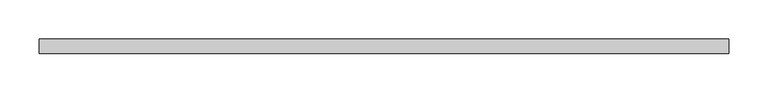
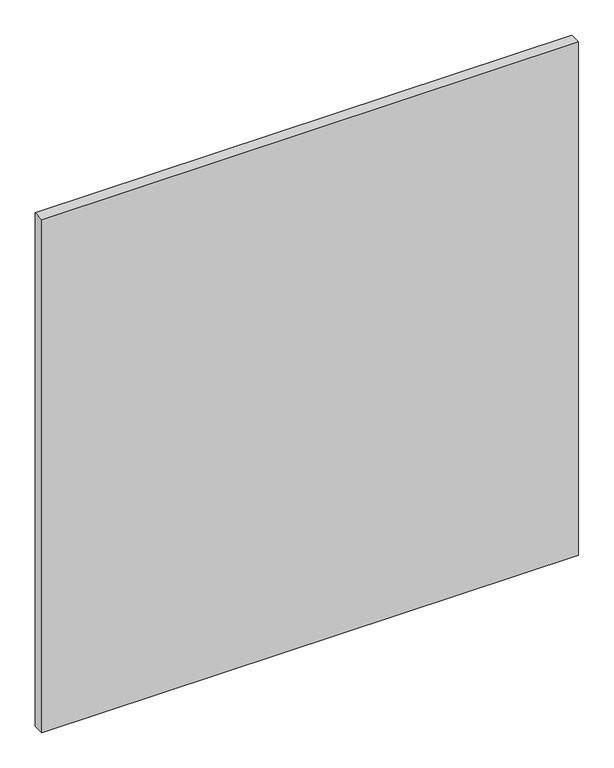
"""IFC4 building model written with IfcOpenShell, lengths in millimetres: proxy geometry."""

from ifc_helpers import new_model, si_unit, frame, origin, place, context, project, spatial, polyline, outline, extrude, source, transform, mapped, element, save


def specialty_equipment_92cfd3f1(model_context):
    return source(origin(), model_context, "Body", "SweptSolid", [
        extrude(outline(polyline([(441.5309122, 0.0), (-441.5309122, 0.0), (-441.5309122, 19.05), (441.5309122, 19.05), (441.5309122, 0.0)])), frame((0.0, 0.0, 3.175), z_axis=(0.0, 0.0, 1.0), x_axis=(1.0, 0.0, 0.0)), (0.0, 0.0, 1.0), 892.175),
    ])


if __name__ == "__main__":
    model = new_model("IFC4")
    model_context = context("Model", 3, world=origin())
    ifc_project = project(units=[si_unit("LENGTHUNIT", "METRE", prefix="MILLI")], contexts=[model_context])
    site = spatial("IfcSite", under=ifc_project)
    building = spatial("IfcBuilding", under=site)
    placement = place(None, origin())
    specialty_equipment_shape = specialty_equipment_92cfd3f1(model_context)
    element("IfcBuildingElementProxy", 1, Name="Specialty Equipment", at=placement, inside=building, context=model_context, shape_type="MappedRepresentation", body=[
        mapped(specialty_equipment_shape, transform((0.0, 0.0, 0.0), x_axis=(1.0, 0.0, 0.0), y_axis=(0.0, 1.0, 0.0), z_axis=(0.0, 0.0, 1.0))),
    ])
    save(model, "model.ifc")
